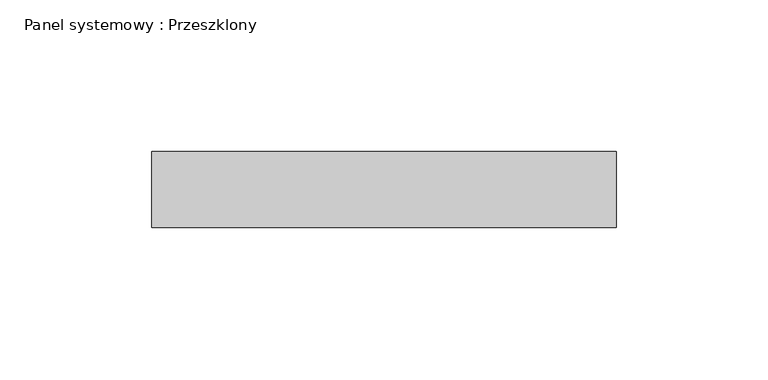
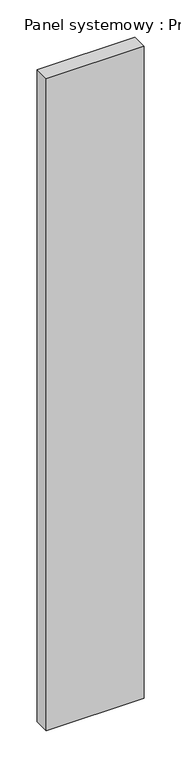
"""IFC4 building model written with IfcOpenShell, lengths in millimetres: plate geometry, Panel systemowy : Przeszklony."""

from ifc_helpers import new_model, si_unit, origin, origin_with_axes, place, context, project, spatial, polyline, outline, extrude, source, transform, mapped, element, save


def panel_systemowy_przeszklony_99923ffd(model_context):
    return source(origin(), model_context, "Body", "SweptSolid", [
        extrude(outline(polyline([(76.5, 24.5), (-76.5, 24.5), (-76.5, 49.5), (76.5, 49.5), (76.5, 24.5)])), origin_with_axes(), (0.0, 0.0, 1.0), 1075.0),
    ])


if __name__ == "__main__":
    model = new_model("IFC4")
    model_context = context("Model", 3, world=origin())
    ifc_project = project(units=[si_unit("LENGTHUNIT", "METRE", prefix="MILLI")], contexts=[model_context])
    site = spatial("IfcSite", under=ifc_project)
    building = spatial("IfcBuilding", under=site)
    placement = place(None, origin())
    panel_systemowy_przeszklony_shape = panel_systemowy_przeszklony_99923ffd(model_context)
    element("IfcPlate", 1, ObjectType="Panel systemowy : Przeszklony", at=placement, inside=building, context=model_context, shape_type="MappedRepresentation", body=[
        mapped(panel_systemowy_przeszklony_shape, transform((0.0, 0.0, 0.0), x_axis=(1.0, 0.0, 0.0), y_axis=(0.0, 1.0, 0.0), z_axis=(0.0, 0.0, 1.0))),
    ])
    save(model, "model.ifc")
